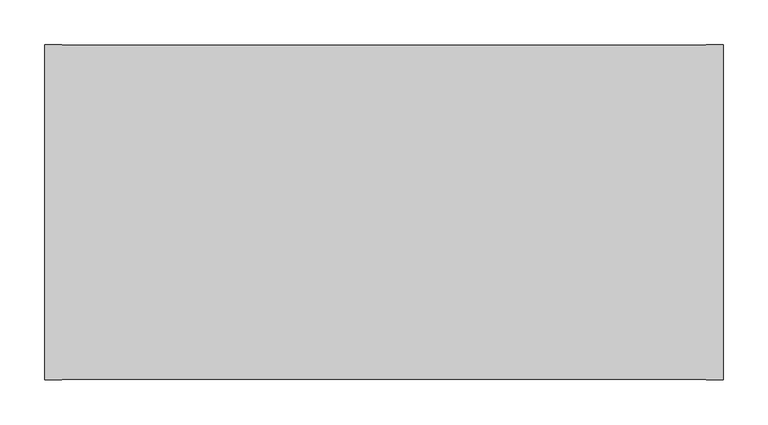
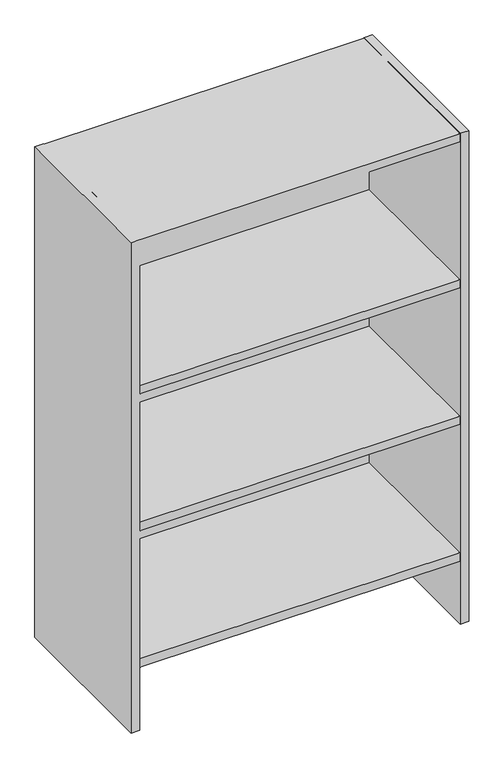
"""IFC4 building model written with IfcOpenShell, lengths in millimetres: furniture geometry."""

from ifc_helpers import new_model, si_unit, origin, place, context, project, spatial, triangles, source, transform, mapped, element, save


def furniture_a11fe61d(model_context):
    return source(origin(), model_context, "Body", "Tessellation", [
        triangles([(738.8860039, -373.8880068, 707.7201736), (738.8860039, -20.8280006, 707.7201736), (19.9389992, -20.8280006, 707.7201736), (19.9389992, -373.8880068, 707.7201736), (738.8860039, -20.8280006, 688.4161921), (19.9389992, -20.8280006, 688.4161921), (738.8860039, -373.8880068, 688.4161921), (19.9389992, -373.8880068, 688.4161921), (738.8860039, -373.8880068, 1031.8242279), (738.8860039, -20.8280006, 1031.8242279), (19.9389992, -20.8280006, 1031.8242279), (19.9389992, -373.8880068, 1031.8242279), (738.8860039, -20.8280006, 1012.5201736), (19.9389992, -20.8280006, 1012.5201736), (738.8860039, -373.8880068, 1012.5201736), (19.9389992, -373.8880068, 1012.5201736), (738.8860039, -373.8880068, 1355.9281368), (738.8860039, -20.8280006, 1355.9281368), (19.9389992, -20.8280006, 1355.9281368), (19.9389992, -373.8880068, 1355.9281368), (738.8860039, -20.8280006, 1336.6242279), (19.9389992, -20.8280006, 1336.6242279), (738.8860039, -373.8880068, 1336.6242279), (19.9389992, -373.8880068, 1336.6242279)], [[1, 2, 3], [1, 3, 4], [3, 2, 5], [3, 5, 6], [5, 7, 8], [5, 8, 6], [8, 7, 1], [8, 1, 4], [7, 5, 2], [7, 2, 1], [8, 4, 3], [8, 3, 6], [9, 10, 11], [9, 11, 12], [11, 10, 13], [11, 13, 14], [13, 15, 16], [13, 16, 14], [16, 15, 9], [16, 9, 12], [15, 13, 10], [15, 10, 9], [16, 12, 11], [16, 11, 14], [17, 18, 19], [17, 19, 20], [19, 18, 21], [19, 21, 22], [21, 23, 24], [21, 24, 22], [24, 23, 17], [24, 17, 20], [23, 21, 18], [23, 18, 17], [24, 20, 19], [24, 19, 22]]),
        triangles([(758.8249758, -374.6499879, 539.0895873), (758.8249758, 0.0, 539.0895873), (758.8249758, 0.0, 1703.6288612), (758.8249758, -374.6499879, 1703.6288612), (739.5209942, 0.0, 539.0895873), (739.5209942, 0.0, 1703.6288612), (739.5209942, -374.6499879, 539.0895873), (739.5209942, -374.6499879, 1703.6288612), (19.3039998, -374.6499879, 539.0895873), (19.3039998, 0.0, 539.0895873), (19.3039998, 0.0, 1703.6288612), (19.3039998, -374.6499879, 1703.6288612), (0.0, 0.0, 539.0895873), (0.0, 0.0, 1703.6288612), (0.0, -374.6499879, 539.0895873), (0.0, -374.6499879, 1703.6288612), (19.3039998, -20.8280006, 539.0895873), (739.5209942, -20.8280006, 539.0895873), (739.5209942, -20.8280006, 1683.5627895), (19.3039998, -20.8280006, 1683.5627895), (739.5209942, -1.524, 539.0895873), (739.5209942, -1.524, 1683.5627895), (19.3039998, -1.524, 539.0895873), (19.3039998, -1.524, 1683.5627895), (739.5209942, -373.8880068, 1702.8668438), (739.5209942, -0.762, 1702.8668438), (19.3039998, -0.762, 1702.8668438), (19.3039998, -373.8880068, 1702.8668438), (739.5209942, -0.762, 1683.5627895), (19.3039998, -0.762, 1683.5627895), (739.5209942, -373.8880068, 1683.5627895), (19.3039998, -373.8880068, 1683.5627895)], [[1, 2, 3], [1, 3, 4], [3, 2, 5], [3, 5, 6], [5, 7, 8], [5, 8, 6], [8, 7, 1], [8, 1, 4], [7, 5, 2], [7, 2, 1], [8, 4, 3], [8, 3, 6], [9, 10, 11], [9, 11, 12], [11, 10, 13], [11, 13, 14], [13, 15, 16], [13, 16, 14], [16, 15, 9], [16, 9, 12], [15, 13, 10], [15, 10, 9], [16, 12, 11], [16, 11, 14], [17, 18, 19], [17, 19, 20], [19, 18, 21], [19, 21, 22], [21, 23, 24], [21, 24, 22], [24, 23, 17], [24, 17, 20], [23, 21, 18], [23, 18, 17], [24, 20, 19], [24, 19, 22], [25, 26, 27], [25, 27, 28], [27, 26, 29], [27, 29, 30], [29, 31, 32], [29, 32, 30], [32, 31, 25], [32, 25, 28], [31, 29, 26], [31, 26, 25], [32, 28, 27], [32, 27, 30]]),
    ])


if __name__ == "__main__":
    model = new_model("IFC4")
    model_context = context("Model", 3, world=origin())
    ifc_project = project(units=[si_unit("LENGTHUNIT", "METRE", prefix="MILLI")], contexts=[model_context])
    site = spatial("IfcSite", under=ifc_project)
    building = spatial("IfcBuilding", under=site)
    placement = place(None, origin())
    furniture_shape = furniture_a11fe61d(model_context)
    element("IfcFurniture", 1, at=placement, inside=building, context=model_context, shape_type="MappedRepresentation", body=[
        mapped(furniture_shape, transform((0.0, 0.0, 0.0), x_axis=(1.0, 0.0, 0.0), y_axis=(0.0, 1.0, 0.0), z_axis=(0.0, 0.0, 1.0))),
    ])
    save(model, "model.ifc")
